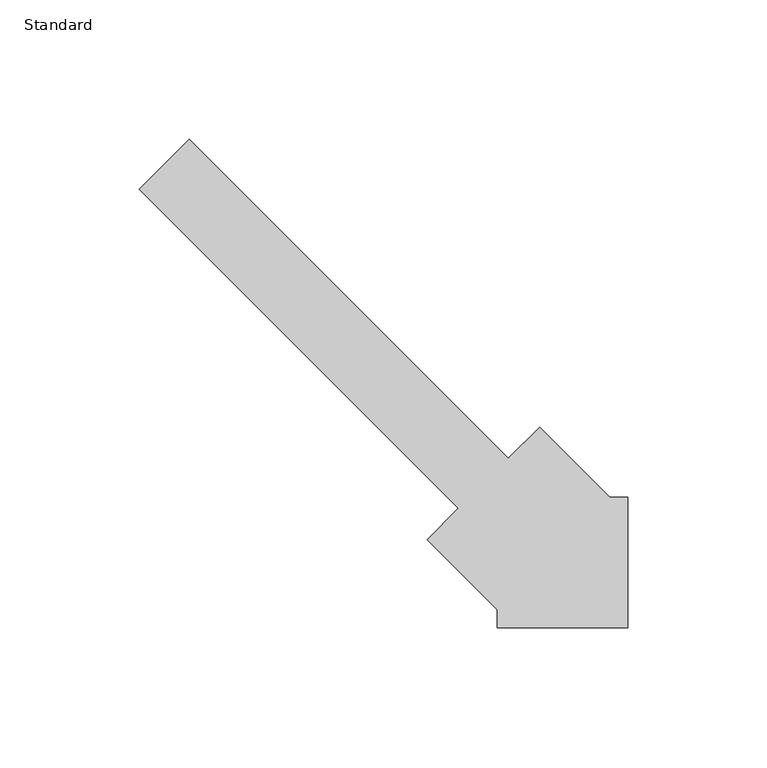
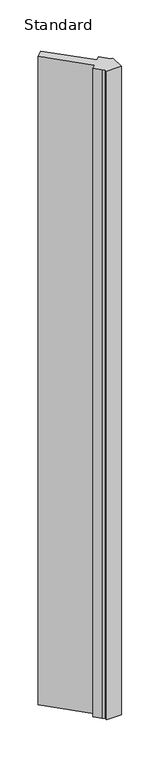
"""IFC4 building model written with IfcOpenShell, lengths in millimetres: proxy geometry, Standard."""

from ifc_helpers import new_model, si_unit, origin, origin_with_axes, place, context, project, spatial, polyline, outline, extrude, source, transform, mapped, element, save


def standard_a4ec0327(model_context):
    return source(origin(), model_context, "Body", "SweptSolid", [
        extrude(outline(polyline([(-6.35, 46.7611525), (0.0, 46.7611525), (0.0, 0.0), (-46.7611525, 0.0), (-46.7611525, 6.35), (-54.0576106, 13.6464581), (-72.0181229, 31.6069703), (-60.7928027, 42.8322905), (-175.2910683, 157.330556), (-157.330556, 175.2910683), (-42.8322905, 60.7928027), (-31.6069703, 72.0181229), (-13.6464581, 54.0576106), (-6.35, 46.7611525)])), origin_with_axes(), (0.0, 0.0, 1.0), 2187.5750001),
    ])


if __name__ == "__main__":
    model = new_model("IFC4")
    model_context = context("Model", 3, world=origin())
    ifc_project = project(units=[si_unit("LENGTHUNIT", "METRE", prefix="MILLI")], contexts=[model_context])
    site = spatial("IfcSite", under=ifc_project)
    building = spatial("IfcBuilding", under=site)
    placement = place(None, origin())
    standard_shape = standard_a4ec0327(model_context)
    element("IfcBuildingElementProxy", 1, Name="Standard", ObjectType="Standard", at=placement, inside=building, context=model_context, shape_type="MappedRepresentation", body=[
        mapped(standard_shape, transform((0.0, 0.0, 0.0), x_axis=(1.0, 0.0, 0.0), y_axis=(0.0, 1.0, 0.0), z_axis=(0.0, 0.0, 1.0))),
    ])
    save(model, "model.ifc")
